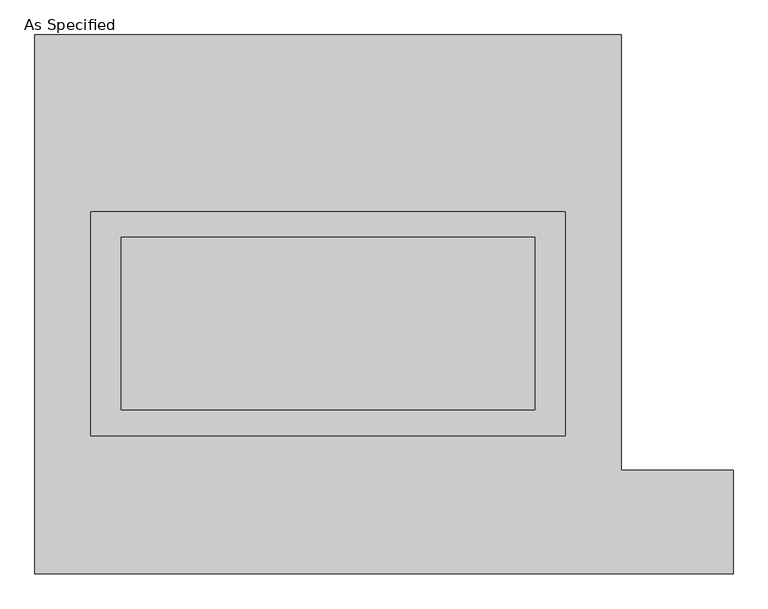
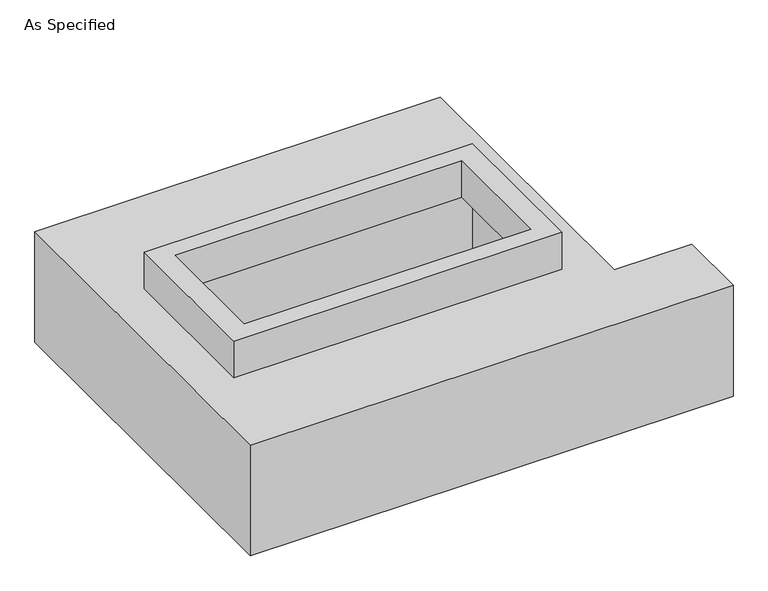
"""IFC4 building model written with IfcOpenShell, lengths in millimetres: proxy geometry, As Specified."""

from ifc_helpers import new_model, si_unit, frame, origin, place, context, project, spatial, polyline, outline, extrude, faceted_brep, source, transform, mapped, element, save


def as_specified_28d78492(model_context):
    return source(origin(), model_context, "Body", "SolidModel", [
        extrude(outline(polyline([(698.5, 273.05), (698.5, -387.35), (-698.5, -387.35), (-698.5, 273.05), (698.5, 273.05)]), holes=[polyline([(609.6, 196.85), (-609.6, 196.85), (-609.6, -311.15), (609.6, -311.15), (609.6, 196.85)])]), frame((0.0, 0.0, -25.4), z_axis=(0.0, 0.0, 1.0), x_axis=(1.0, 0.0, 0.0)), (0.0, 0.0, 1.0), 165.1),
        faceted_brep([(-863.6, 793.75, -523.875), (863.6, 793.75, -523.875), (863.6, -488.95, -523.875), (1193.8, -488.95, -523.875), (1193.8, -793.75, -523.875), (-863.6, -793.75, -523.875), (863.6, 793.75, -25.4), (-863.6, 793.75, -25.4), (-863.6, -793.75, -25.4), (1193.8, -793.75, -25.4), (1193.8, -488.95, -25.4), (863.6, -488.95, -25.4), (-698.5, -387.35, -25.4), (-698.5, 273.05, -25.4), (698.5, 273.05, -25.4), (698.5, -387.35, -25.4), (698.5, 273.05, -498.475), (-698.5, 273.05, -498.475), (-698.5, -387.35, -498.475), (698.5, -387.35, -498.475)], [[[0, 1, 2, 3, 4, 5]], [[6, 7, 8, 9, 10, 11], [12, 13, 14, 15]], [[1, 0, 7, 6]], [[7, 0, 5, 8]], [[1, 6, 11, 2]], [[16, 17, 18, 19]], [[18, 17, 13, 12]], [[17, 16, 14, 13]], [[16, 19, 15, 14]], [[19, 18, 12, 15]], [[5, 4, 9, 8]], [[3, 2, 11, 10]], [[4, 3, 10, 9]]]),
    ])


if __name__ == "__main__":
    model = new_model("IFC4")
    model_context = context("Model", 3, world=origin())
    ifc_project = project(units=[si_unit("LENGTHUNIT", "METRE", prefix="MILLI")], contexts=[model_context])
    site = spatial("IfcSite", under=ifc_project)
    building = spatial("IfcBuilding", under=site)
    placement = place(None, origin())
    as_specified_shape = as_specified_28d78492(model_context)
    element("IfcBuildingElementProxy", 1, Name="As Specified", ObjectType="As Specified", at=placement, inside=building, context=model_context, shape_type="MappedRepresentation", body=[
        mapped(as_specified_shape, transform((0.0, 0.0, 0.0), x_axis=(1.0, 0.0, 0.0), y_axis=(0.0, 1.0, 0.0), z_axis=(0.0, 0.0, 1.0))),
    ])
    save(model, "model.ifc")
